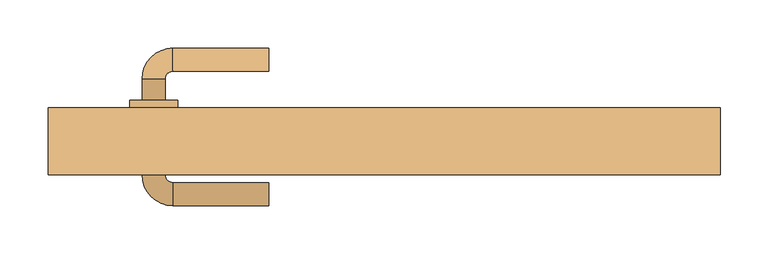
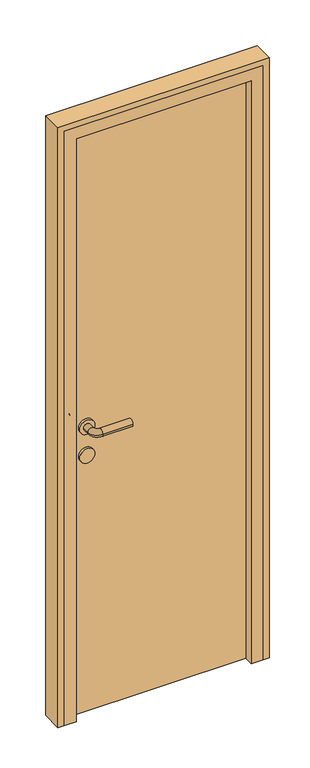
"""IFC4 building model written with IfcOpenShell, lengths in millimetres: door geometry."""

from ifc_helpers import new_model, si_unit, point, frame, frame_2d, origin, origin_with_axes, place, context, project, spatial, polyline, circle_curve, ellipse_curve, trimmed, segment, composite_curve, outline, extrude, faceted_brep, source, transform, mapped, element, save
from ifc_brep_helpers import plane_surface, cylinder_surface, revolved_surface, advanced_brep


def door_72e4b50f(model_context):
    return source(origin(), model_context, "Body", "SolidModel", [
        advanced_brep(
        [(-120.0, 112.0, 1000.0), (-120.0, 88.0, 1000.0), (-220.0, 112.0, 1000.0), (-220.0, 88.0, 1000.0), (-252.0, 80.0, 1000.0), (-228.0, 80.0, 1000.0), (-252.0, 58.0, 1000.0), (-228.0, 58.0, 1000.0), (-252.0, -20.0, 1000.0), (-228.0, -20.0, 1000.0), (-228.0, 2.0, 1000.0), (-252.0, 2.0, 1000.0), (-220.0, -52.0, 1000.0), (-220.0, -28.0, 1000.0), (-120.0, -52.0, 1000.0), (-120.0, -28.0, 1000.0), (-265.0, 58.0, 1000.0), (-215.0, 58.0, 1000.0), (-265.0, 2.0, 1000.0), (-215.0, 2.0, 1000.0)],
        [
            (0, 1, circle_curve(frame((-120.0, 100.0, 1000.0), z_axis=(1.0, 0.0, 0.0), x_axis=(0.0, -1.0, 0.0)), 12.0)),
            (1, 0, circle_curve(frame((-120.0, 100.0, 1000.0), z_axis=(1.0, 0.0, 0.0), x_axis=(0.0, -1.0, 0.0)), 12.0)),
            (0, 2),
            (2, 3, circle_curve(frame((-220.0, 100.0, 1000.0), z_axis=(1.0, 0.0, 0.0), x_axis=(0.0, -1.0, 0.0)), 12.0)),
            (3, 1),
            (3, 2, circle_curve(frame((-220.0, 100.0, 1000.0), z_axis=(1.0, 0.0, 0.0), x_axis=(0.0, -1.0, 0.0)), 12.0)),
            (2, 4, circle_curve(frame((-220.0, 80.0, 1000.0), z_axis=(0.0, 0.0, 1.0), x_axis=(0.0, 1.0, 0.0)), 32.0)),
            (4, 5, circle_curve(frame((-240.0, 80.0, 1000.0), z_axis=(0.0, 1.0, 0.0), x_axis=(1.0, 0.0, 0.0)), 12.0)),
            (5, 3, circle_curve(frame((-220.0, 80.0, 1000.0), z_axis=(0.0, 0.0, -1.0), x_axis=(0.0, 1.0, 0.0)), 8.0)),
            (5, 4, circle_curve(frame((-240.0, 80.0, 1000.0), z_axis=(0.0, 1.0, 0.0), x_axis=(1.0, 0.0, 0.0)), 12.0)),
            (4, 6),
            (6, 7, circle_curve(frame((-240.0, 58.0, 1000.0), z_axis=(0.0, 1.0, 0.0), x_axis=(1.0, 0.0, 0.0)), 12.0)),
            (7, 5),
            (8, 9, circle_curve(frame((-240.0, -20.0, 1000.0), z_axis=(0.0, 1.0, 0.0), x_axis=(1.0, 0.0, 0.0)), 12.0)),
            (9, 10),
            (10, 11, circle_curve(frame((-240.0, 2.0, 1000.0), z_axis=(0.0, -1.0, 0.0), x_axis=(1.0, 0.0, 0.0)), 12.0)),
            (11, 8),
            (7, 6, circle_curve(frame((-240.0, 58.0, 1000.0), z_axis=(0.0, 1.0, 0.0), x_axis=(1.0, 0.0, 0.0)), 12.0)),
            (9, 8, circle_curve(frame((-240.0, -20.0, 1000.0), z_axis=(0.0, 1.0, 0.0), x_axis=(1.0, 0.0, 0.0)), 12.0)),
            (11, 10, circle_curve(frame((-240.0, 2.0, 1000.0), z_axis=(0.0, -1.0, 0.0), x_axis=(1.0, 0.0, 0.0)), 12.0)),
            (8, 12, circle_curve(frame((-220.0, -20.0, 1000.0), z_axis=(0.0, 0.0, 1.0), x_axis=(-1.0, 0.0, 0.0)), 32.0)),
            (12, 13, circle_curve(frame((-220.0, -40.0, 1000.0), z_axis=(-1.0, 0.0, 0.0), x_axis=(0.0, 1.0, 0.0)), 12.0)),
            (13, 9, circle_curve(frame((-220.0, -20.0, 1000.0), z_axis=(0.0, 0.0, -1.0), x_axis=(-1.0, 0.0, 0.0)), 8.0)),
            (13, 12, circle_curve(frame((-220.0, -40.0, 1000.0), z_axis=(-1.0, 0.0, 0.0), x_axis=(0.0, 1.0, 0.0)), 12.0)),
            (14, 15, circle_curve(frame((-120.0, -40.0, 1000.0), z_axis=(1.0, 0.0, 0.0), x_axis=(0.0, 1.0, 0.0)), 12.0)),
            (15, 14, circle_curve(frame((-120.0, -40.0, 1000.0), z_axis=(1.0, 0.0, 0.0), x_axis=(0.0, 1.0, 0.0)), 12.0)),
            (12, 14),
            (15, 13),
            (16, 17, circle_curve(frame((-240.0, 58.0, 1000.0), z_axis=(0.0, 1.0, 0.0), x_axis=(1.0, 0.0, 0.0)), 25.0)),
            (17, 16, circle_curve(frame((-240.0, 58.0, 1000.0), z_axis=(0.0, 1.0, 0.0), x_axis=(1.0, 0.0, 0.0)), 25.0)),
            (18, 19, circle_curve(frame((-240.0, 2.0, 1000.0), z_axis=(0.0, -1.0, 0.0), x_axis=(1.0, 0.0, 0.0)), 25.0)),
            (19, 18, circle_curve(frame((-240.0, 2.0, 1000.0), z_axis=(0.0, -1.0, 0.0), x_axis=(1.0, 0.0, 0.0)), 25.0)),
            (17, 19),
            (18, 16),
        ],
        [
            plane_surface(frame((-120.0, 100.0, 1000.0), z_axis=(1.0, 0.0, 0.0), x_axis=(0.0, 0.0, 1.0))),
            cylinder_surface(frame((-120.0, 100.0, 1000.0), z_axis=(1.0, 0.0, 0.0), x_axis=(0.0, -1.0, 0.0)), 12.0),
            revolved_surface(trimmed(ellipse_curve(frame((-220.0, 100.0, 1000.0), z_axis=(1.0, 0.0, 0.0), x_axis=(0.0, -1.0, 0.0)), 12.0, 12.0), [point((-220.0, 112.0, 1000.0))], [point((-220.0, 88.0, 1000.0))], True, "CARTESIAN"), (-220.0, 80.0, 1000.0), (0.0, 0.0, 1.0)),
            revolved_surface(trimmed(ellipse_curve(frame((-220.0, 100.0, 1000.0), z_axis=(1.0, 0.0, 0.0), x_axis=(0.0, -1.0, 0.0)), 12.0, 12.0), [point((-220.0, 88.0, 1000.0))], [point((-220.0, 112.0, 1000.0))], True, "CARTESIAN"), (-220.0, 80.0, 1000.0), (0.0, 0.0, 1.0)),
            cylinder_surface(frame((-240.0, 80.0, 1000.0), z_axis=(0.0, 1.0, 0.0), x_axis=(1.0, 0.0, 0.0)), 12.0),
            revolved_surface(trimmed(ellipse_curve(frame((-240.0, -20.0, 1000.0), z_axis=(0.0, 1.0, 0.0), x_axis=(1.0, 0.0, 0.0)), 12.0, 12.0), [point((-252.0, -20.0, 1000.0))], [point((-228.0, -20.0, 1000.0))], True, "CARTESIAN"), (-220.0, -20.0, 1000.0), (0.0, 0.0, 1.0)),
            revolved_surface(trimmed(ellipse_curve(frame((-240.0, -20.0, 1000.0), z_axis=(0.0, 1.0, 0.0), x_axis=(1.0, 0.0, 0.0)), 12.0, 12.0), [point((-228.0, -20.0, 1000.0))], [point((-252.0, -20.0, 1000.0))], True, "CARTESIAN"), (-220.0, -20.0, 1000.0), (0.0, 0.0, 1.0)),
            plane_surface(frame((-120.0, -40.0, 1000.0), z_axis=(1.0, 0.0, 0.0), x_axis=(0.0, 0.0, 1.0))),
            cylinder_surface(frame((-220.0, -40.0, 1000.0), z_axis=(-1.0, 0.0, 0.0), x_axis=(0.0, 1.0, 0.0)), 12.0),
            plane_surface(frame((-215.0, 58.0, 1000.0), z_axis=(0.0, 1.0, 0.0), x_axis=(0.0, 0.0, -1.0))),
            plane_surface(frame((-215.0, 2.0, 1000.0), z_axis=(0.0, -1.0, 0.0), x_axis=(0.0, 0.0, 1.0))),
            cylinder_surface(frame((-240.0, 58.0, 1000.0), z_axis=(0.0, -1.0, 0.0), x_axis=(1.0, 0.0, 0.0)), 25.0),
        ],
        [
            (0, [[1, 2]]),
            (1, [[-1, 3, 4, 5]]),
            (1, [[-2, -5, 6, -3]]),
            (2, [[-4, 7, 8, 9]]),
            (3, [[-6, -9, 10, -7]]),
            (4, [[-8, 11, 12, 13]]),
            (4, [[14, 15, 16, 17]]),
            (4, [[-10, -13, 18, -11]]),
            (4, [[19, -17, 20, -15]]),
            (5, [[-14, 21, 22, 23]]),
            (6, [[-19, -23, 24, -21]]),
            (7, [[25, 26]]),
            (8, [[-22, 27, -26, 28]]),
            (8, [[-24, -28, -25, -27]]),
            (9, [[29, 30], [-12, -18]]),
            (10, [[31, 32], [-16, -20]]),
            (11, [[-30, 33, -31, 34]]),
            (11, [[-29, -34, -32, -33]]),
        ],
    ),
        extrude(outline(composite_curve([segment(trimmed(circle_curve(frame_2d((900.0, -240.0)), 25.0), [point((900.0, -265.0))], [point((900.0, -215.0))], False, "CARTESIAN"), True, "CONTINUOUS"), segment(trimmed(circle_curve(frame_2d((900.0, -240.0)), 25.0), [point((900.0, -215.0))], [point((900.0, -265.0))], False, "CARTESIAN"), True, "CONTINUOUS")], self_intersect=False)), frame((0.0, 2.0, 0.0), z_axis=(0.0, 1.0, 0.0), x_axis=(0.0, 0.0, 1.0)), (0.0, 0.0, 1.0), 56.0),
        extrude(outline(polyline([(300.0, 10.0), (-300.0, 10.0), (-300.0, 50.0), (300.0, 50.0), (300.0, 10.0)])), origin_with_axes(), (0.0, 0.0, 1.0), 2050.0),
        extrude(outline(polyline([(0.0, 350.0), (2100.0, 350.0), (2100.0, -350.0), (0.0, -350.0), (0.0, -330.0), (2080.0, -330.0), (2080.0, 330.0), (0.0, 330.0), (0.0, 350.0)])), frame((0.0, -20.0, 0.0), z_axis=(0.0, 1.0, 0.0), x_axis=(0.0, 0.0, 1.0)), (0.0, 0.0, 1.0), 70.0),
        faceted_brep([(-330.0, -20.0, 0.0), (-330.0, 50.0, 0.0), (-300.0, 50.0, 0.0), (-300.0, 10.0, 0.0), (-290.0, 10.0, 0.0), (-290.0, -20.0, 0.0), (-330.0, -20.0, 2080.0), (-330.0, 50.0, 2080.0), (330.0, 50.0, 2080.0), (330.0, 50.0, 0.0), (300.0, 50.0, 0.0), (300.0, 50.0, 2050.0), (-300.0, 50.0, 2050.0), (-300.0, 10.0, 2050.0), (300.0, 10.0, 2050.0), (300.0, 10.0, 0.0), (290.0, 10.0, 0.0), (290.0, 10.0, 2040.0), (-290.0, 10.0, 2040.0), (-290.0, -20.0, 2040.0), (290.0, -20.0, 2040.0), (290.0, -20.0, 0.0), (330.0, -20.0, 0.0), (330.0, -20.0, 2080.0)], [[[0, 1, 2, 3, 4, 5]], [[1, 0, 6, 7]], [[2, 1, 7, 8, 9, 10, 11, 12]], [[3, 2, 12, 13]], [[4, 3, 13, 14, 15, 16, 17, 18]], [[5, 4, 18, 19]], [[0, 5, 19, 20, 21, 22, 23, 6]], [[7, 6, 23, 8]], [[13, 12, 11, 14]], [[19, 18, 17, 20]], [[22, 21, 16, 15, 10, 9]], [[8, 23, 22, 9]], [[14, 11, 10, 15]], [[20, 17, 16, 21]]]),
    ])


if __name__ == "__main__":
    model = new_model("IFC4")
    model_context = context("Model", 3, world=origin())
    ifc_project = project(units=[si_unit("LENGTHUNIT", "METRE", prefix="MILLI")], contexts=[model_context])
    site = spatial("IfcSite", under=ifc_project)
    building = spatial("IfcBuilding", under=site)
    placement = place(None, origin())
    door_shape = door_72e4b50f(model_context)
    element("IfcDoor", 1, at=placement, inside=building, context=model_context, shape_type="MappedRepresentation", body=[
        mapped(door_shape, transform((0.0, 0.0, 0.0), x_axis=(1.0, 0.0, 0.0), y_axis=(0.0, 1.0, 0.0), z_axis=(0.0, 0.0, 1.0))),
    ])
    save(model, "model.ifc")
